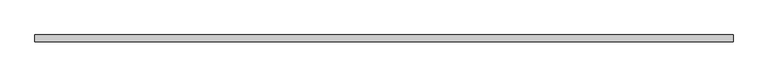
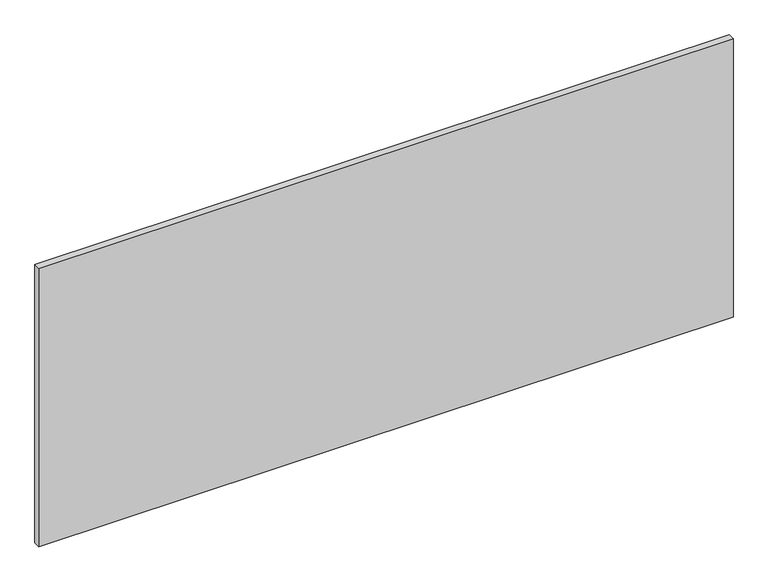
"""IFC4 building model written with IfcOpenShell, lengths in millimetres: furniture geometry."""

from ifc_helpers import new_model, si_unit, frame, origin, place, context, project, spatial, polyline, outline, extrude, source, transform, mapped, element, save


def furniture_3e643009(model_context):
    return source(origin(), model_context, "Body", "SweptSolid", [
        extrude(outline(polyline([(0.59944, 44.5440062), (2132.9994553, 44.5440062), (2132.9994553, 23.9700054), (0.59944, 23.9700054), (0.59944, 44.5440062)])), frame((0.0, 0.0, 139.700003), z_axis=(0.0, 0.0, 1.0), x_axis=(1.0, 0.0, 0.0)), (0.0, 0.0, 1.0), 904.6999834),
    ])


if __name__ == "__main__":
    model = new_model("IFC4")
    model_context = context("Model", 3, world=origin())
    ifc_project = project(units=[si_unit("LENGTHUNIT", "METRE", prefix="MILLI")], contexts=[model_context])
    site = spatial("IfcSite", under=ifc_project)
    building = spatial("IfcBuilding", under=site)
    placement = place(None, origin())
    furniture_shape = furniture_3e643009(model_context)
    element("IfcFurniture", 1, at=placement, inside=building, context=model_context, shape_type="MappedRepresentation", body=[
        mapped(furniture_shape, transform((0.0, 0.0, 0.0), x_axis=(1.0, 0.0, 0.0), y_axis=(0.0, 1.0, 0.0), z_axis=(0.0, 0.0, 1.0))),
    ])
    save(model, "model.ifc")
